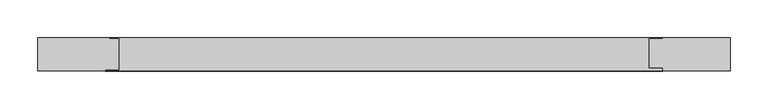
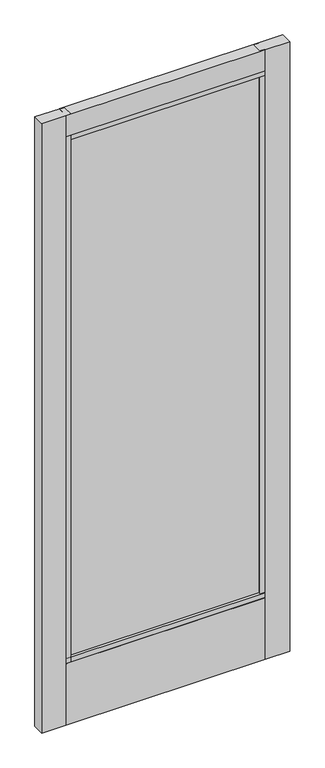
"""IFC4 building model written with IfcOpenShell, lengths in millimetres: plate geometry."""

from ifc_helpers import new_model, si_unit, frame, origin, place, context, project, spatial, polyline, outline, extrude, source, transform, mapped, element, save


def plate_3218c272(model_context):
    return source(origin(), model_context, "Body", "SweptSolid", [
        extrude(outline(polyline([(-461.3827987, 25.4), (-366.1226831, 25.4), (-366.1226831, 23.8401195), (-353.4226831, 23.8401195), (-353.4226831, -17.1804584), (-371.4118293, -17.1804584), (-371.4118293, -19.05), (-461.3827987, -19.05), (-461.3827987, 25.4)])), frame((0.0, 0.0, 17.4625), z_axis=(0.0, 0.0, 1.0), x_axis=(1.0, 0.0, 0.0)), (0.0, 0.0, 1.0), 2398.2844027),
        extrude(outline(polyline([(-367.1033656, -6.9763582), (-367.1033656, 7.3111418), (363.3733777, 7.3111418), (363.3733777, -6.9763582), (-367.1033656, -6.9763582)])), frame((0.0, 0.0, 263.906), z_axis=(0.0, 0.0, 1.0), x_axis=(1.0, 0.0, 0.0)), (0.0, 0.0, 1.0), 2064.8163791),
        extrude(outline(polyline([(461.3827987, 25.4), (461.3827987, -19.05), (371.2923353, -19.05), (371.2923353, -14.9447968), (353.2930735, -14.9447968), (353.2930735, 23.8401195), (371.2923353, 23.8401195), (371.2923353, 25.4), (461.3827987, 25.4)])), frame((0.0, 0.0, 17.4625), z_axis=(0.0, 0.0, 1.0), x_axis=(1.0, 0.0, 0.0)), (0.0, 0.0, 1.0), 2398.2844027),
        extrude(outline(polyline([(-19.05, 2415.7469027), (25.4, 2415.7469027), (25.4, 2333.4876731), (23.8401195, 2333.4876731), (23.8401195, 2314.4348791), (-17.1804584, 2314.4348791), (-17.1804584, 2333.4876731), (-19.05, 2333.4876731), (-19.05, 2415.7469027)])), frame((-371.4118293, 0.0, 0.0), z_axis=(1.0, 0.0, 0.0), x_axis=(0.0, 1.0, 0.0)), (0.0, 0.0, 1.0), 742.7041645),
        extrude(outline(polyline([(-17.1804584, 277.8125), (23.8401195, 277.8125), (23.8401195, 258.7303916), (25.4, 258.7303916), (25.4, 17.4625), (-19.05, 17.4625), (-19.05, 258.7303916), (-17.1804584, 258.7303916), (-17.1804584, 277.8125)])), frame((-371.4118293, 0.0, 0.0), z_axis=(1.0, 0.0, 0.0), x_axis=(0.0, 1.0, 0.0)), (0.0, 0.0, 1.0), 742.7041645),
    ])


if __name__ == "__main__":
    model = new_model("IFC4")
    model_context = context("Model", 3, world=origin())
    ifc_project = project(units=[si_unit("LENGTHUNIT", "METRE", prefix="MILLI")], contexts=[model_context])
    site = spatial("IfcSite", under=ifc_project)
    building = spatial("IfcBuilding", under=site)
    placement = place(None, origin())
    plate_shape = plate_3218c272(model_context)
    element("IfcPlate", 1, at=placement, inside=building, context=model_context, shape_type="MappedRepresentation", body=[
        mapped(plate_shape, transform((0.0, 0.0, 0.0), x_axis=(1.0, 0.0, 0.0), y_axis=(0.0, 1.0, 0.0), z_axis=(0.0, 0.0, 1.0))),
    ])
    save(model, "model.ifc")
